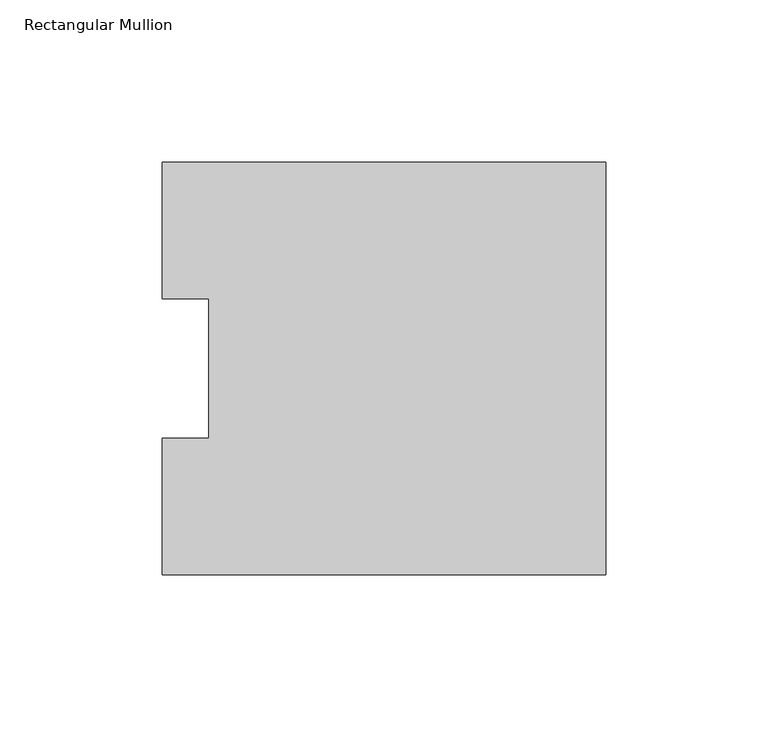
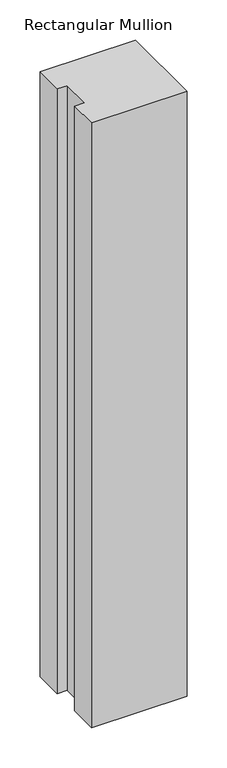
"""IFC4 building model written with IfcOpenShell, lengths in millimetres: member geometry, Rectangular Mullion."""

from ifc_helpers import new_model, si_unit, frame, origin, place, context, project, spatial, polyline, outline, extrude, source, transform, mapped, element, save


def rectangular_mullion_d3bd63f1(model_context):
    return source(origin(), model_context, "Body", "SweptSolid", [
        extrude(outline(polyline([(0.0, 127.00635), (0.0, 0.00635), (-136.525, 0.00635), (-136.525, 42.08145), (-122.2375, 42.08145), (-122.2375, 84.93125), (-136.525, 84.93125), (-136.525, 127.00635), (0.0, 127.00635)])), frame((0.0, 0.0, -914.4), z_axis=(0.0, 0.0, 1.0), x_axis=(1.0, 0.0, 0.0)), (0.0, 0.0, 1.0), 914.4),
    ])


if __name__ == "__main__":
    model = new_model("IFC4")
    model_context = context("Model", 3, world=origin())
    ifc_project = project(units=[si_unit("LENGTHUNIT", "METRE", prefix="MILLI")], contexts=[model_context])
    site = spatial("IfcSite", under=ifc_project)
    building = spatial("IfcBuilding", under=site)
    placement = place(None, origin())
    rectangular_mullion_shape = rectangular_mullion_d3bd63f1(model_context)
    element("IfcMember", 1, ObjectType="Rectangular Mullion", at=placement, inside=building, context=model_context, shape_type="MappedRepresentation", body=[
        mapped(rectangular_mullion_shape, transform((0.0, 0.0, 0.0), x_axis=(1.0, 0.0, 0.0), y_axis=(0.0, 1.0, 0.0), z_axis=(0.0, 0.0, 1.0))),
    ])
    save(model, "model.ifc")
